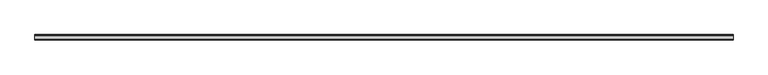
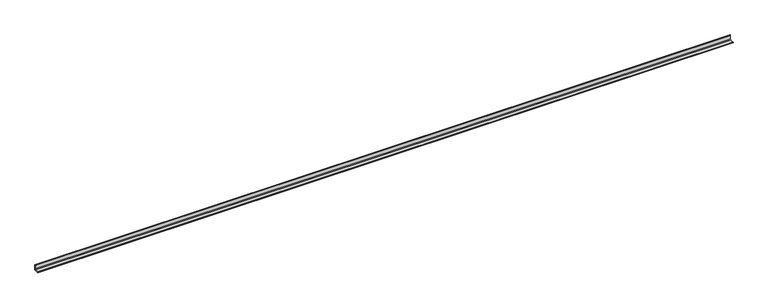
"""IFC4 building model written with IfcOpenShell, lengths in millimetres: beam geometry."""

from ifc_helpers import new_model, si_unit, point, frame, frame_2d, origin, place, context, project, spatial, polyline, circle_curve, trimmed, segment, composite_curve, outline, extrude, source, transform, mapped, element, save


def beam_19ccf2b1(model_context):
    return source(origin(), model_context, "Body", "SweptSolid", [
        extrude(outline(composite_curve([segment(polyline([(21.3, -21.3), (-53.7, -21.3), (-53.7, -18.3)]), True, "CONTINUOUS"), segment(trimmed(circle_curve(frame_2d((-48.7, -18.3)), 5.0), [point((-53.7, -18.3))], [point((-48.7, -13.3))], False, "CARTESIAN"), True, "CONTINUOUS"), segment(polyline([(-48.7, -13.3), (5.3, -13.3)]), True, "CONTINUOUS"), segment(trimmed(circle_curve(frame_2d((5.3, -5.3)), 8.0), [point((5.3, -13.3))], [point((13.3, -5.3))], True, "CARTESIAN"), True, "CONTINUOUS"), segment(polyline([(13.3, -5.3), (13.3, 48.7)]), True, "CONTINUOUS"), segment(trimmed(circle_curve(frame_2d((18.3, 48.7)), 5.0), [point((13.3, 48.7))], [point((18.3, 53.7))], False, "CARTESIAN"), True, "CONTINUOUS"), segment(polyline([(18.3, 53.7), (21.3, 53.7), (21.3, -21.3)]), True, "CONTINUOUS")], self_intersect=False)), frame((-4934.0, 0.0, 0.0), z_axis=(1.0, 0.0, 0.0), x_axis=(0.0, 1.0, 0.0)), (0.0, 0.0, 1.0), 9877.0),
    ])


if __name__ == "__main__":
    model = new_model("IFC4")
    model_context = context("Model", 3, world=origin())
    ifc_project = project(units=[si_unit("LENGTHUNIT", "METRE", prefix="MILLI")], contexts=[model_context])
    site = spatial("IfcSite", under=ifc_project)
    building = spatial("IfcBuilding", under=site)
    placement = place(None, origin())
    beam_shape = beam_19ccf2b1(model_context)
    element("IfcBeam", 1, at=placement, inside=building, context=model_context, shape_type="MappedRepresentation", body=[
        mapped(beam_shape, transform((0.0, 0.0, 0.0), x_axis=(1.0, 0.0, 0.0), y_axis=(0.0, 1.0, 0.0), z_axis=(0.0, 0.0, 1.0))),
    ])
    save(model, "model.ifc")
